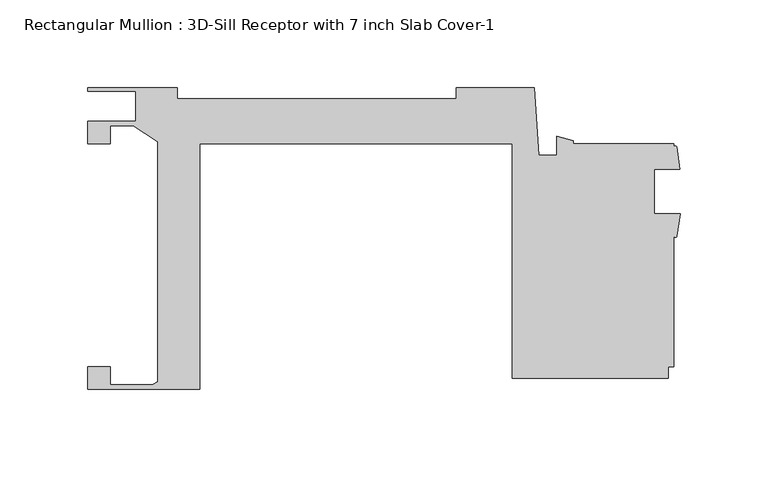
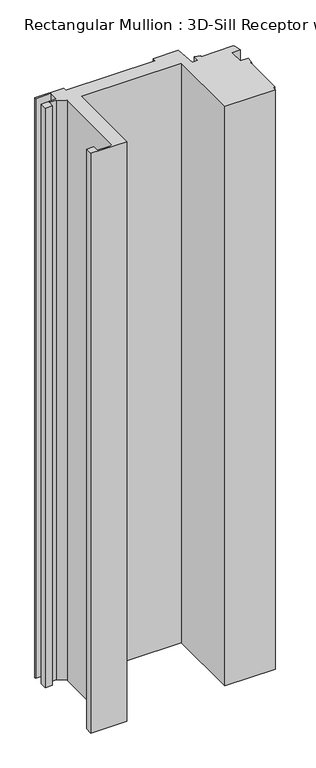
"""IFC4 building model written with IfcOpenShell, lengths in millimetres: member geometry, Rectangular Mullion : 3D-Sill Receptor with 7 inch Slab Cover-1."""

from ifc_helpers import new_model, si_unit, point, frame, frame_2d, origin, place, context, project, spatial, polyline, circle_curve, trimmed, segment, composite_curve, outline, extrude, source, transform, mapped, element, save


def rectangular_mullion_3d_sill_receptor_with_7_inch_slab_cover_925bcbcb(model_context):
    return source(origin(), model_context, "Body", "SweptSolid", [
        extrude(outline(composite_curve([segment(polyline([(-301.6250631, 85.7239377), (-250.8250631, 85.7239377), (-250.8250631, 79.6103713), (-92.0750635, 79.6103713), (-92.0750635, 85.7249352), (-47.742764, 85.7249352), (-45.0850635, 47.3577987), (-34.9250635, 47.3577987), (-34.9250635, 58.1484157), (-25.4000635, 55.706233), (-25.4000635, 53.9749687), (31.7500635, 53.9749687), (31.7500635, 52.2427313)]), True, "CONTINUOUS"), segment(trimmed(circle_curve(frame_2d((32.5430116, 51.7865904)), 0.9147848), [point((31.7500635, 52.2427313))], [point((33.3359598, 52.2427313))], False, "CARTESIAN"), True, "CONTINUOUS"), segment(polyline([(33.3359598, 52.2427313), (35.1460635, 39.4714437), (20.6375635, 39.4714437), (20.6375635, 14.0714437), (35.2695852, 14.0714437), (33.4134679, 1.2983909)]), True, "CONTINUOUS"), segment(trimmed(circle_curve(frame_2d((32.5844058, 1.6862927)), 0.9153206), [point((33.4134679, 1.2983909))], [point((31.7500635, 1.3098823))], False, "CARTESIAN"), True, "CONTINUOUS"), segment(polyline([(31.7500635, 1.3098823), (31.7500635, -73.0250313), (28.5749095, -73.0250313), (28.5749095, -79.3749687), (-60.3250635, -79.3749687), (-60.3250635, 53.9749687), (-238.1250635, 53.9749687), (-238.1250635, -85.7260621), (-301.5996635, -85.7260621), (-301.5996635, -73.0060061), (-288.8996635, -73.0060061), (-288.8996635, -83.1860621), (-266.3825635, -83.1860621)]), True, "CONTINUOUS"), segment(trimmed(circle_curve(frame_2d((-266.3825635, -76.8360621)), 6.35), [point((-266.3825635, -83.1860621))], [point((-261.9248631, -81.3583854))], True, "CARTESIAN"), True, "CONTINUOUS"), segment(polyline([(-261.9248631, -81.3583854), (-261.9248631, 54.9528506), (-275.9196088, 64.2512805), (-288.9504635, 64.2512805), (-288.9504635, 53.9509672), (-301.6250631, 53.9509672), (-301.6250631, 66.7912805), (-274.4652626, 66.7912805), (-274.4652626, 83.6919377), (-301.6250631, 83.6919377), (-301.6250631, 85.7239377)]), True, "CONTINUOUS")], self_intersect=False)), frame((0.0, 0.0, -1085.4769441), z_axis=(0.0, 0.0, 1.0), x_axis=(1.0, 0.0, 0.0)), (0.0, 0.0, 1.0), 1085.4769441),
    ])


if __name__ == "__main__":
    model = new_model("IFC4")
    model_context = context("Model", 3, world=origin())
    ifc_project = project(units=[si_unit("LENGTHUNIT", "METRE", prefix="MILLI")], contexts=[model_context])
    site = spatial("IfcSite", under=ifc_project)
    building = spatial("IfcBuilding", under=site)
    placement = place(None, origin())
    rectangular_mullion_3d_sill_receptor_with_7_inch_slab_cover_shape = rectangular_mullion_3d_sill_receptor_with_7_inch_slab_cover_925bcbcb(model_context)
    element("IfcMember", 1, ObjectType="Rectangular Mullion : 3D-Sill Receptor with 7 inch Slab Cover-1", at=placement, inside=building, context=model_context, shape_type="MappedRepresentation", body=[
        mapped(rectangular_mullion_3d_sill_receptor_with_7_inch_slab_cover_shape, transform((0.0, 0.0, 0.0), x_axis=(1.0, 0.0, 0.0), y_axis=(0.0, 1.0, 0.0), z_axis=(0.0, 0.0, 1.0))),
    ])
    save(model, "model.ifc")
